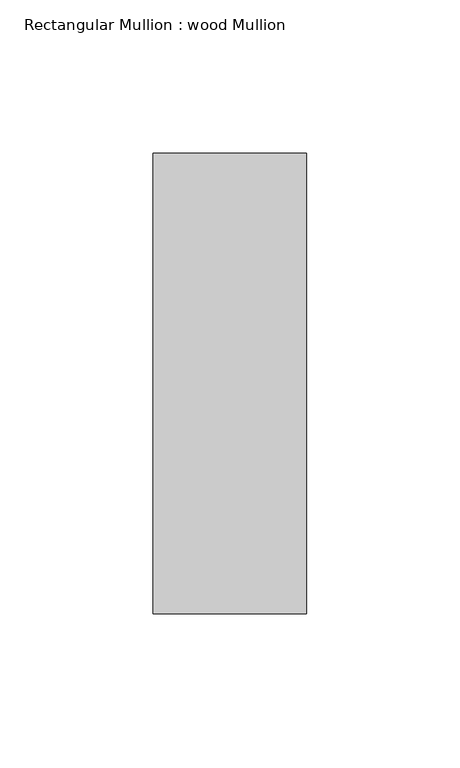
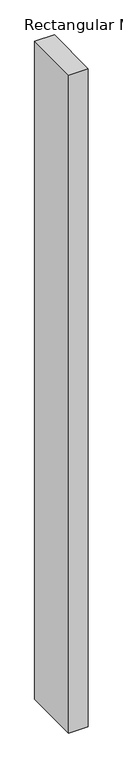
"""IFC4 building model written with IfcOpenShell, lengths in millimetres: member geometry, Rectangular Mullion : wood Mullion."""

from ifc_helpers import new_model, si_unit, frame, origin, place, context, project, spatial, polyline, outline, extrude, source, transform, mapped, element, save


def rectangular_mullion_wood_mullion_dc49d761(model_context):
    return source(origin(), model_context, "Body", "SweptSolid", [
        extrude(outline(polyline([(25.0, 75.0), (25.0, -75.0), (-25.0, -75.0), (-25.0, 75.0), (25.0, 75.0)])), frame((0.0, 0.0, -1775.0), z_axis=(0.0, 0.0, 1.0), x_axis=(1.0, 0.0, 0.0)), (0.0, 0.0, 1.0), 1775.0),
    ])


if __name__ == "__main__":
    model = new_model("IFC4")
    model_context = context("Model", 3, world=origin())
    ifc_project = project(units=[si_unit("LENGTHUNIT", "METRE", prefix="MILLI")], contexts=[model_context])
    site = spatial("IfcSite", under=ifc_project)
    building = spatial("IfcBuilding", under=site)
    placement = place(None, origin())
    rectangular_mullion_wood_mullion_shape = rectangular_mullion_wood_mullion_dc49d761(model_context)
    element("IfcMember", 1, ObjectType="Rectangular Mullion : wood Mullion", at=placement, inside=building, context=model_context, shape_type="MappedRepresentation", body=[
        mapped(rectangular_mullion_wood_mullion_shape, transform((0.0, 0.0, 0.0), x_axis=(1.0, 0.0, 0.0), y_axis=(0.0, 1.0, 0.0), z_axis=(0.0, 0.0, 1.0))),
    ])
    save(model, "model.ifc")
